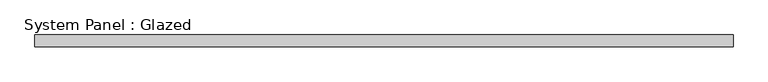
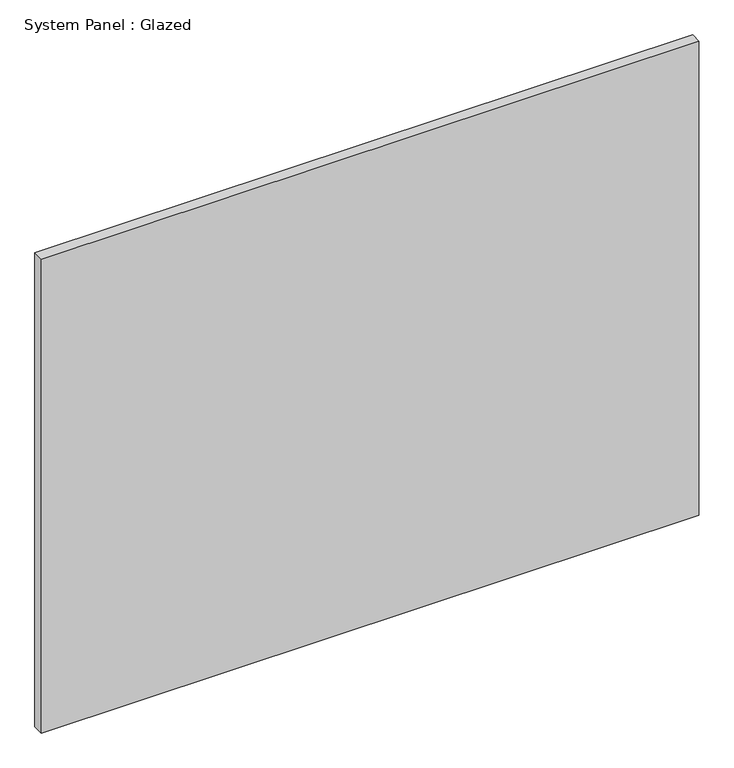
"""IFC4 building model written with IfcOpenShell, lengths in millimetres: plate geometry, System Panel : Glazed."""

from ifc_helpers import new_model, si_unit, origin, origin_with_axes, place, context, project, spatial, polyline, outline, extrude, source, transform, mapped, element, save


def system_panel_glazed_8e33060f(model_context):
    return source(origin(), model_context, "Body", "SweptSolid", [
        extrude(outline(polyline([(754.0625, -12.7), (-754.0625, -12.7), (-754.0625, 12.7), (754.0625, 12.7), (754.0625, -12.7)])), origin_with_axes(), (0.0, 0.0, 1.0), 1149.35),
    ])


if __name__ == "__main__":
    model = new_model("IFC4")
    model_context = context("Model", 3, world=origin())
    ifc_project = project(units=[si_unit("LENGTHUNIT", "METRE", prefix="MILLI")], contexts=[model_context])
    site = spatial("IfcSite", under=ifc_project)
    building = spatial("IfcBuilding", under=site)
    placement = place(None, origin())
    system_panel_glazed_shape = system_panel_glazed_8e33060f(model_context)
    element("IfcPlate", 1, ObjectType="System Panel : Glazed", at=placement, inside=building, context=model_context, shape_type="MappedRepresentation", body=[
        mapped(system_panel_glazed_shape, transform((0.0, 0.0, 0.0), x_axis=(1.0, 0.0, 0.0), y_axis=(0.0, 1.0, 0.0), z_axis=(0.0, 0.0, 1.0))),
    ])
    save(model, "model.ifc")
